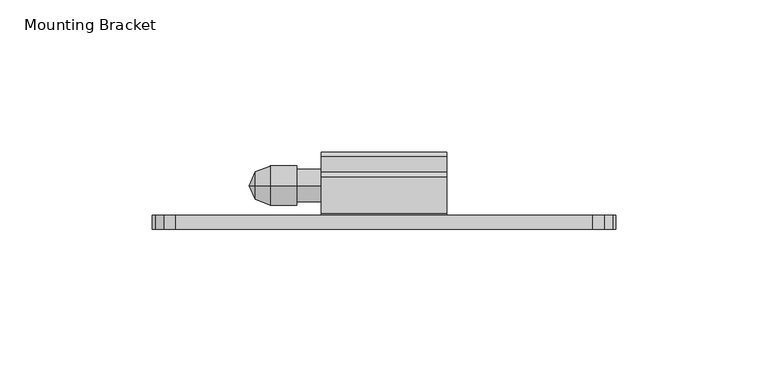
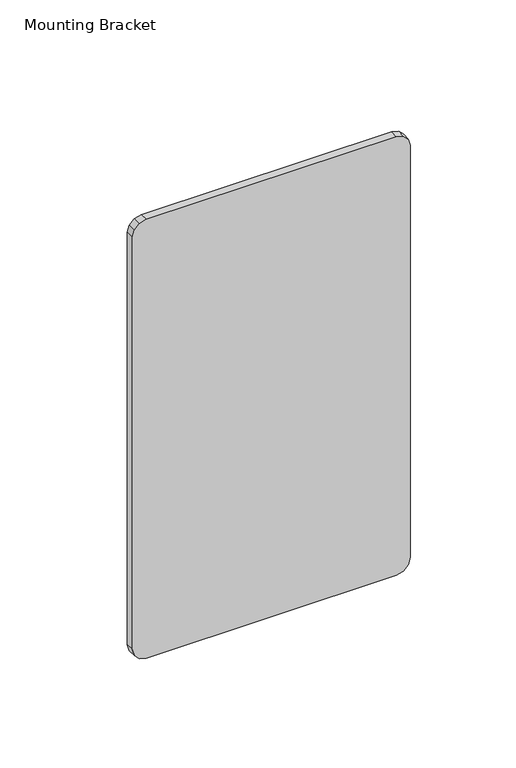
"""IFC4 building model written with IfcOpenShell, lengths in millimetres: furniture geometry, Mounting Bracket."""

from ifc_helpers import new_model, si_unit, frame, origin, place, context, project, spatial, polyline, circle_curve, outline, extrude, source, transform, mapped, element, save
from ifc_brep_helpers import plane_surface, cylinder_surface, revolved_surface, advanced_brep


def mounting_bracket_a0a55e86(model_context):
    return source(origin(), model_context, "Body", "SolidModel", [
        extrude(outline(polyline([(1401.46024, 636.9192799), (1401.46024, 499.7592835), (1400.4393516, 495.9492826), (1397.6502391, 493.1601678), (1393.8402382, 492.1392863), (1155.0802433, 492.1392863), (1151.270247, 493.1601678), (1148.4811185, 495.9492826), (1147.4602324, 499.7592835), (1147.4602324, 636.9192799), (1148.4811185, 640.7292808), (1151.270247, 643.5183956), (1155.0802433, 644.5392817), (1393.8402382, 644.5392817), (1397.6502391, 643.5183956), (1400.4393516, 640.7292808), (1401.46024, 636.9192799)])), frame((0.0, -1267.5959292, 0.0), z_axis=(0.0, 1.0, 0.0), x_axis=(0.0, 0.0, 1.0)), (0.0, 0.0, 1.0), 4.5973995),
        advanced_brep(
        [(526.0628515, -1253.1852, 1327.2821846), (526.0628515, -1253.1852, 1336.4361362), (530.8753712, -1253.1852, 1338.3319825), (530.8753712, -1253.1852, 1325.3863383), (539.6258568, -1253.1852, 1338.3319825), (539.6258568, -1253.1852, 1325.3863383), (539.6258568, -1253.1852, 1337.2219758), (539.6258568, -1253.1852, 1326.4963451), (547.6881167, -1253.1852, 1337.2219758), (547.6881167, -1253.1852, 1326.4963451), (547.6881167, -1253.1852, 1331.8591604), (524.0694412, -1253.1852, 1331.8591604)],
        [
            (0, 1, circle_curve(frame((526.0628515, -1253.1852, 1331.8591604), z_axis=(1.0, 0.0, 0.0), x_axis=(0.0, 0.0, 1.0)), 4.5769758)),
            (1, 2),
            (2, 3, circle_curve(frame((530.8753712, -1253.1852, 1331.8591604), z_axis=(-1.0, 0.0, 0.0), x_axis=(0.0, 0.0, 1.0)), 6.4728221)),
            (3, 0),
            (1, 0, circle_curve(frame((526.0628515, -1253.1852, 1331.8591604), z_axis=(1.0, 0.0, 0.0), x_axis=(0.0, 0.0, 1.0)), 4.5769758)),
            (3, 2, circle_curve(frame((530.8753712, -1253.1852, 1331.8591604), z_axis=(-1.0, 0.0, 0.0), x_axis=(0.0, 0.0, 1.0)), 6.4728221)),
            (2, 4),
            (4, 5, circle_curve(frame((539.6258568, -1253.1852, 1331.8591604), z_axis=(-1.0, 0.0, 0.0), x_axis=(0.0, 0.0, 1.0)), 6.4728221)),
            (5, 3),
            (5, 4, circle_curve(frame((539.6258568, -1253.1852, 1331.8591604), z_axis=(-1.0, 0.0, 0.0), x_axis=(0.0, 0.0, 1.0)), 6.4728221)),
            (4, 6),
            (6, 7, circle_curve(frame((539.6258568, -1253.1852, 1331.8591604), z_axis=(-1.0, 0.0, 0.0), x_axis=(0.0, 0.0, 1.0)), 5.3628154)),
            (7, 5),
            (7, 6, circle_curve(frame((539.6258568, -1253.1852, 1331.8591604), z_axis=(-1.0, 0.0, 0.0), x_axis=(0.0, 0.0, 1.0)), 5.3628154)),
            (6, 8),
            (8, 9, circle_curve(frame((547.6881167, -1253.1852, 1331.8591604), z_axis=(-1.0, 0.0, 0.0), x_axis=(0.0, 0.0, 1.0)), 5.3628154)),
            (9, 7),
            (9, 8, circle_curve(frame((547.6881167, -1253.1852, 1331.8591604), z_axis=(-1.0, 0.0, 0.0), x_axis=(0.0, 0.0, 1.0)), 5.3628154)),
            (8, 10),
            (10, 9),
            (11, 1),
            (0, 11),
        ],
        [
            revolved_surface(polyline([(530.8753712, -1253.1852, 1338.3319825), (526.0628515, -1253.1852, 1336.4361362)]), (524.0694412, -1253.1852, 1331.8591604), (-1.0, 0.0, 0.0)),
            cylinder_surface(frame((524.0694412, -1253.1852, 1331.8591604), z_axis=(-1.0, 0.0, 0.0), x_axis=(0.0, 0.0, 1.0)), 6.4728221),
            plane_surface(frame((539.6258568, -1253.1852, 1331.8591604), z_axis=(1.0, 0.0, 0.0), x_axis=(0.0, 0.0, 1.0))),
            cylinder_surface(frame((524.0694412, -1253.1852, 1331.8591604), z_axis=(-1.0, 0.0, 0.0), x_axis=(0.0, 0.0, 1.0)), 5.3628154),
            plane_surface(frame((547.6881167, -1253.1852, 1331.8591604), z_axis=(1.0, 0.0, 0.0), x_axis=(0.0, 0.0, 1.0))),
            revolved_surface(polyline([(526.0628515, -1253.1852, 1336.4361362), (524.0694412, -1253.1852, 1331.8591604)]), (524.0694412, -1253.1852, 1331.8591604), (-1.0, 0.0, 0.0)),
        ],
        [
            (0, [[1, 2, 3, 4]]),
            (0, [[5, -4, 6, -2]]),
            (1, [[-3, 7, 8, 9]]),
            (1, [[-6, -9, 10, -7]]),
            (2, [[-8, 11, 12, 13]]),
            (2, [[-10, -13, 14, -11]]),
            (3, [[-12, 15, 16, 17]]),
            (3, [[-14, -17, 18, -15]]),
            (4, [[-16, 19, 20]]),
            (4, [[-18, -20, -19]]),
            (5, [[21, -1, 22]]),
            (5, [[-22, -5, -21]]),
        ],
    ),
        extrude(outline(polyline([(-1250.3046945, 1382.4356393), (-1248.7298945, 1380.8608388), (-1248.7298945, 1376.111039), (-1249.5126046, 1373.7466816), (-1251.5515106, 1372.3164078), (-1254.041105, 1372.385274), (-1255.997826, 1373.9260734), (-1257.4420942, 1373.4918815), (-1257.4420942, 1343.7574712), (-1256.8467817, 1343.1621587), (-1243.7705444, 1343.1621587), (-1242.1957445, 1341.5873593), (-1242.1957445, 1322.1614375), (-1243.7705444, 1320.5866381), (-1261.4235441, 1320.5866381), (-1262.9985297, 1322.1616237), (-1262.9985297, 1381.8367816), (-1262.399672, 1382.4356393), (-1250.3046945, 1382.4356393)])), frame((547.6881145, 0.0, 0.0), z_axis=(1.0, 0.0, 0.0), x_axis=(0.0, 1.0, 0.0)), (0.0, 0.0, 1.0), 41.2750015),
    ])


if __name__ == "__main__":
    model = new_model("IFC4")
    model_context = context("Model", 3, world=origin())
    ifc_project = project(units=[si_unit("LENGTHUNIT", "METRE", prefix="MILLI")], contexts=[model_context])
    site = spatial("IfcSite", under=ifc_project)
    building = spatial("IfcBuilding", under=site)
    placement = place(None, origin())
    mounting_bracket_shape = mounting_bracket_a0a55e86(model_context)
    element("IfcFurniture", 1, ObjectType="Mounting Bracket", at=placement, inside=building, context=model_context, shape_type="MappedRepresentation", body=[
        mapped(mounting_bracket_shape, transform((0.0, 0.0, 0.0), x_axis=(1.0, 0.0, 0.0), y_axis=(0.0, 1.0, 0.0), z_axis=(0.0, 0.0, 1.0))),
    ])
    save(model, "model.ifc")
